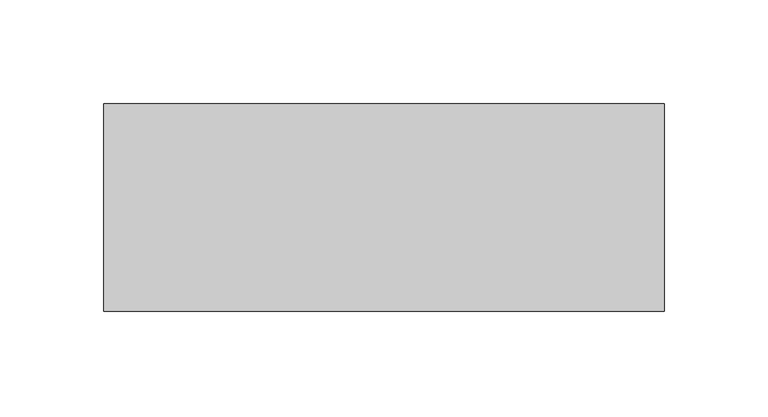
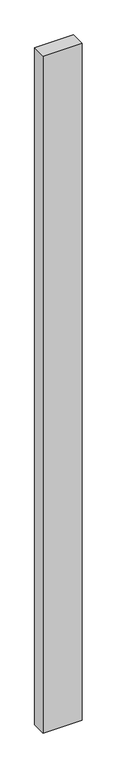
"""IFC4 building model written with IfcOpenShell, lengths in millimetres: proxy geometry."""

from ifc_helpers import new_model, si_unit, frame, origin, place, context, project, spatial, polyline, outline, extrude, source, transform, mapped, element, save


def generic_models_b3dea147(model_context):
    return source(origin(), model_context, "Body", "SweptSolid", [
        extrude(outline(polyline([(270.0, 100.0), (270.0, 0.0), (0.0, 0.0), (0.0, 100.0), (270.0, 100.0)])), frame((0.0, 0.0, -4950.0), z_axis=(0.0, 0.0, 1.0), x_axis=(1.0, 0.0, 0.0)), (0.0, 0.0, 1.0), 4950.0),
    ])


if __name__ == "__main__":
    model = new_model("IFC4")
    model_context = context("Model", 3, world=origin())
    ifc_project = project(units=[si_unit("LENGTHUNIT", "METRE", prefix="MILLI")], contexts=[model_context])
    site = spatial("IfcSite", under=ifc_project)
    building = spatial("IfcBuilding", under=site)
    placement = place(None, origin())
    generic_models_shape = generic_models_b3dea147(model_context)
    element("IfcBuildingElementProxy", 1, Name="Generic Models", at=placement, inside=building, context=model_context, shape_type="MappedRepresentation", body=[
        mapped(generic_models_shape, transform((0.0, 0.0, 0.0), x_axis=(1.0, 0.0, 0.0), y_axis=(0.0, 1.0, 0.0), z_axis=(0.0, 0.0, 1.0))),
    ])
    save(model, "model.ifc")
